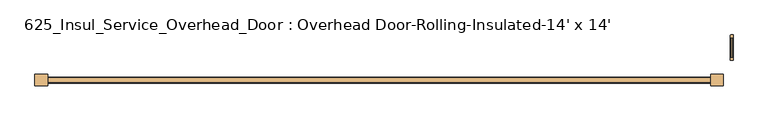
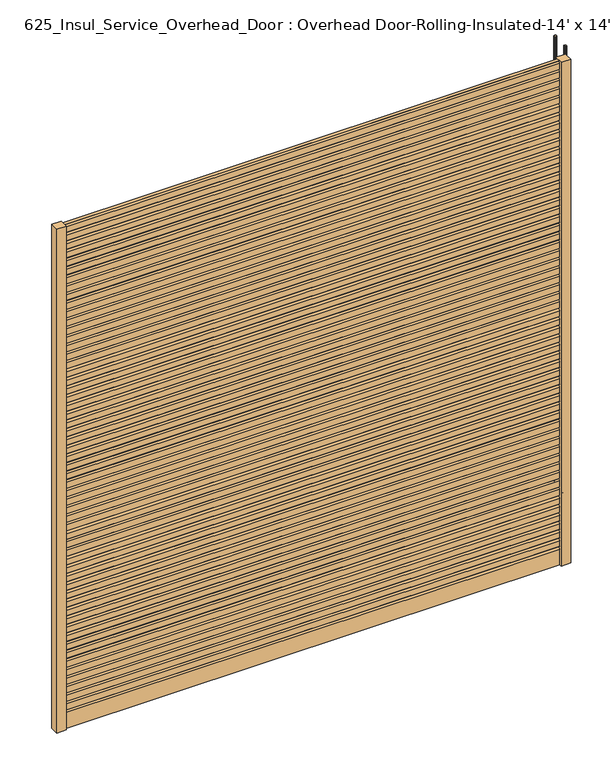
"""IFC4 building model written with IfcOpenShell, lengths in millimetres: door geometry, 625_Insul_Service_Overhead_Door : Overhead Door-Rolling-Insulated-14' x 14'."""

from ifc_helpers import new_model, si_unit, point, frame, origin, origin_with_axes, place, context, project, spatial, polyline, circle_curve, ellipse_curve, trimmed, outline, extrude, source, transform, mapped, element, save
from ifc_brep_helpers import plane_surface, cylinder_surface, revolved_surface, advanced_brep


def door_625_insul_service_overhead_door_overhead_door_rolling_e3f218a3(model_context):
    return source(origin(), model_context, "Body", "SolidModel", [
        advanced_brep(
        [(3792.5375, 1223.6880768, 4267.2), (3792.5375, 1236.3880768, 4267.2), (3790.95, 1237.9755768, 4267.2), (3778.25, 1237.9755768, 4267.2), (3776.6625, 1236.3880768, 4267.2), (3776.6625, 1223.6880768, 4267.2), (3778.25, 1222.1005768, 4267.2), (3790.95, 1222.1005768, 4267.2), (3790.95, 1222.1005768, 508.0), (3792.5375, 1223.6880768, 508.0), (3778.25, 1222.1005768, 508.0), (3776.6625, 1223.6880768, 508.0), (3776.6625, 1236.3880768, 508.0), (3776.6625, 1087.1630768, 508.0), (3776.6625, 1087.1630768, 4267.2), (3776.6625, 1099.8630768, 4267.2), (3776.6625, 1099.8630768, 508.0), (3778.25, 1237.9755768, 508.0), (3790.95, 1237.9755768, 508.0), (3792.5375, 1236.3880768, 508.0), (3792.5375, 1099.8630768, 508.0), (3792.5375, 1099.8630768, 4267.2), (3792.5375, 1087.1630768, 4267.2), (3792.5375, 1087.1630768, 508.0), (3790.95, 1101.4505768, 508.0), (3778.25, 1101.4505768, 508.0), (3778.25, 1085.5755768, 508.0), (3790.95, 1085.5755768, 508.0), (3790.95, 1101.4505768, 4267.2), (3778.25, 1101.4505768, 4267.2), (3778.25, 1085.5755768, 4267.2), (3790.95, 1085.5755768, 4267.2)],
        [
            (0, 1),
            (1, 2, circle_curve(frame((3790.95, 1236.3880768, 4267.2), z_axis=(0.0, 0.0, 1.0), x_axis=(0.0, 1.0, 0.0)), 1.5875)),
            (2, 3),
            (3, 4, circle_curve(frame((3778.25, 1236.3880768, 4267.2), z_axis=(0.0, 0.0, 1.0), x_axis=(0.0, 1.0, 0.0)), 1.5875)),
            (4, 5),
            (5, 6, circle_curve(frame((3778.25, 1223.6880768, 4267.2), z_axis=(0.0, 0.0, 1.0), x_axis=(0.0, 1.0, 0.0)), 1.5875)),
            (6, 7),
            (7, 0, circle_curve(frame((3790.95, 1223.6880768, 4267.2), z_axis=(0.0, 0.0, 1.0), x_axis=(0.0, 1.0, 0.0)), 1.5875)),
            (7, 8),
            (8, 9, circle_curve(frame((3790.95, 1223.6880768, 508.0), z_axis=(0.0, 0.0, 1.0), x_axis=(0.0, 1.0, 0.0)), 1.5875)),
            (9, 0),
            (6, 10),
            (10, 8),
            (5, 11),
            (11, 10, circle_curve(frame((3778.25, 1223.6880768, 508.0), z_axis=(0.0, 0.0, 1.0), x_axis=(0.0, 1.0, 0.0)), 1.5875)),
            (4, 12),
            (12, 13, circle_curve(frame((3776.6625, 1161.7755768, 508.0), z_axis=(-1.0, 0.0, 0.0), x_axis=(0.0, 1.0, 0.0)), 74.6125)),
            (13, 14),
            (14, 15),
            (15, 16),
            (16, 11, circle_curve(frame((3776.6625, 1161.7755768, 508.0), z_axis=(1.0, 0.0, 0.0), x_axis=(0.0, 1.0, 0.0)), 61.9125)),
            (3, 17),
            (17, 12, circle_curve(frame((3778.25, 1236.3880768, 508.0), z_axis=(0.0, 0.0, 1.0), x_axis=(0.0, 1.0, 0.0)), 1.5875)),
            (2, 18),
            (18, 17),
            (1, 19),
            (19, 18, circle_curve(frame((3790.95, 1236.3880768, 508.0), z_axis=(0.0, 0.0, 1.0), x_axis=(0.0, 1.0, 0.0)), 1.5875)),
            (9, 20, circle_curve(frame((3792.5375, 1161.7755768, 508.0), z_axis=(-1.0, 0.0, 0.0), x_axis=(0.0, 1.0, 0.0)), 61.9125)),
            (20, 21),
            (21, 22),
            (22, 23),
            (23, 19, circle_curve(frame((3792.5375, 1161.7755768, 508.0), z_axis=(1.0, 0.0, 0.0), x_axis=(0.0, 1.0, 0.0)), 74.6125)),
            (24, 20, circle_curve(frame((3790.95, 1099.8630768, 508.0), z_axis=(0.0, 0.0, -1.0), x_axis=(0.0, -1.0, 0.0)), 1.5875)),
            (8, 24, circle_curve(frame((3790.95, 1161.7755768, 508.0), z_axis=(-1.0, 0.0, 0.0), x_axis=(0.0, 1.0, 0.0)), 60.325)),
            (25, 24),
            (10, 25, circle_curve(frame((3778.25, 1161.7755768, 508.0), z_axis=(-1.0, 0.0, 0.0), x_axis=(0.0, 1.0, 0.0)), 60.325)),
            (16, 25, circle_curve(frame((3778.25, 1099.8630768, 508.0), z_axis=(0.0, 0.0, -1.0), x_axis=(0.0, -1.0, 0.0)), 1.5875)),
            (26, 13, circle_curve(frame((3778.25, 1087.1630768, 508.0), z_axis=(0.0, 0.0, -1.0), x_axis=(0.0, -1.0, 0.0)), 1.5875)),
            (17, 26, circle_curve(frame((3778.25, 1161.7755768, 508.0), z_axis=(-1.0, 0.0, 0.0), x_axis=(0.0, 1.0, 0.0)), 76.2)),
            (27, 26),
            (18, 27, circle_curve(frame((3790.95, 1161.7755768, 508.0), z_axis=(-1.0, 0.0, 0.0), x_axis=(0.0, 1.0, 0.0)), 76.2)),
            (23, 27, circle_curve(frame((3790.95, 1087.1630768, 508.0), z_axis=(0.0, 0.0, -1.0), x_axis=(0.0, -1.0, 0.0)), 1.5875)),
            (21, 28, circle_curve(frame((3790.95, 1099.8630768, 4267.2), z_axis=(0.0, 0.0, 1.0), x_axis=(0.0, -1.0, 0.0)), 1.5875)),
            (28, 29),
            (29, 15, circle_curve(frame((3778.25, 1099.8630768, 4267.2), z_axis=(0.0, 0.0, 1.0), x_axis=(0.0, -1.0, 0.0)), 1.5875)),
            (14, 30, circle_curve(frame((3778.25, 1087.1630768, 4267.2), z_axis=(0.0, 0.0, 1.0), x_axis=(0.0, -1.0, 0.0)), 1.5875)),
            (30, 31),
            (31, 22, circle_curve(frame((3790.95, 1087.1630768, 4267.2), z_axis=(0.0, 0.0, 1.0), x_axis=(0.0, -1.0, 0.0)), 1.5875)),
            (24, 28),
            (25, 29),
            (26, 30),
            (27, 31),
        ],
        [
            plane_surface(frame((3784.6, 1237.9755768, 4267.2), z_axis=(0.0, 0.0, 1.0), x_axis=(-1.0, 0.0, 0.0))),
            cylinder_surface(frame((3790.95, 1223.6880768, 4267.2), z_axis=(0.0, 0.0, 1.0), x_axis=(0.0, 1.0, 0.0)), 1.5875),
            plane_surface(frame((3790.95, 1222.1005768, 4267.2), z_axis=(0.0, -1.0, 0.0), x_axis=(0.0, 0.0, -1.0))),
            cylinder_surface(frame((3778.25, 1223.6880768, 4267.2), z_axis=(0.0, 0.0, 1.0), x_axis=(0.0, 1.0, 0.0)), 1.5875),
            plane_surface(frame((3776.6625, 1223.6880768, 4267.2), z_axis=(-1.0, 0.0, 0.0), x_axis=(0.0, 0.0, -1.0))),
            cylinder_surface(frame((3778.25, 1236.3880768, 4267.2), z_axis=(0.0, 0.0, 1.0), x_axis=(0.0, 1.0, 0.0)), 1.5875),
            plane_surface(frame((3778.25, 1237.9755768, 4267.2), z_axis=(0.0, 1.0, 0.0), x_axis=(0.0, 0.0, -1.0))),
            cylinder_surface(frame((3790.95, 1236.3880768, 4267.2), z_axis=(0.0, 0.0, 1.0), x_axis=(0.0, 1.0, 0.0)), 1.5875),
            plane_surface(frame((3792.5375, 1236.3880768, 4267.2), z_axis=(1.0, 0.0, 0.0), x_axis=(0.0, 0.0, -1.0))),
            revolved_surface(trimmed(ellipse_curve(frame((3790.95, 1223.6880768, 508.0), z_axis=(0.0, 0.0, -1.0), x_axis=(0.0, 1.0, 0.0)), 1.5875, 1.5875), [point((3792.5375, 1223.6880768, 508.0))], [point((3790.95, 1222.1005768, 508.0))], True, "CARTESIAN"), (3784.6, 1161.7755768, 508.0), (1.0, 0.0, 0.0)),
            revolved_surface(polyline([(3790.95, 1222.1005768, 508.0), (3778.25, 1222.1005768, 508.0)]), (3784.6, 1161.7755768, 508.0), (1.0, 0.0, 0.0)),
            revolved_surface(trimmed(ellipse_curve(frame((3778.25, 1223.6880768, 508.0), z_axis=(0.0, 0.0, -1.0), x_axis=(0.0, 1.0, 0.0)), 1.5875, 1.5875), [point((3778.25, 1222.1005768, 508.0))], [point((3776.6625, 1223.6880768, 508.0))], True, "CARTESIAN"), (3784.6, 1161.7755768, 508.0), (1.0, 0.0, 0.0)),
            revolved_surface(trimmed(ellipse_curve(frame((3778.25, 1236.3880768, 508.0), z_axis=(0.0, 0.0, -1.0), x_axis=(0.0, 1.0, 0.0)), 1.5875, 1.5875), [point((3776.6625, 1236.3880768, 508.0))], [point((3778.25, 1237.9755768, 508.0))], True, "CARTESIAN"), (3784.6, 1161.7755768, 508.0), (1.0, 0.0, 0.0)),
            cylinder_surface(frame((3784.6, 1161.7755768, 508.0), z_axis=(1.0, 0.0, 0.0), x_axis=(0.0, 1.0, 0.0)), 76.2),
            revolved_surface(trimmed(ellipse_curve(frame((3790.95, 1236.3880768, 508.0), z_axis=(0.0, 0.0, -1.0), x_axis=(0.0, 1.0, 0.0)), 1.5875, 1.5875), [point((3790.95, 1237.9755768, 508.0))], [point((3792.5375, 1236.3880768, 508.0))], True, "CARTESIAN"), (3784.6, 1161.7755768, 508.0), (1.0, 0.0, 0.0)),
            plane_surface(frame((3784.6, 1085.5755768, 4267.2), z_axis=(0.0, 0.0, 1.0), x_axis=(-1.0, 0.0, 0.0))),
            cylinder_surface(frame((3790.95, 1099.8630768, 508.0), z_axis=(0.0, 0.0, -1.0), x_axis=(0.0, -1.0, 0.0)), 1.5875),
            plane_surface(frame((3790.95, 1101.4505768, 508.0), z_axis=(0.0, 1.0, 0.0), x_axis=(0.0, 0.0, 1.0))),
            cylinder_surface(frame((3778.25, 1099.8630768, 508.0), z_axis=(0.0, 0.0, -1.0), x_axis=(0.0, -1.0, 0.0)), 1.5875),
            cylinder_surface(frame((3778.25, 1087.1630768, 508.0), z_axis=(0.0, 0.0, -1.0), x_axis=(0.0, -1.0, 0.0)), 1.5875),
            plane_surface(frame((3778.25, 1085.5755768, 508.0), z_axis=(0.0, -1.0, 0.0), x_axis=(0.0, 0.0, 1.0))),
            cylinder_surface(frame((3790.95, 1087.1630768, 508.0), z_axis=(0.0, 0.0, -1.0), x_axis=(0.0, -1.0, 0.0)), 1.5875),
        ],
        [
            (0, [[1, 2, 3, 4, 5, 6, 7, 8]]),
            (1, [[9, 10, 11, -8]]),
            (2, [[12, 13, -9, -7]]),
            (3, [[14, 15, -12, -6]]),
            (4, [[16, 17, 18, 19, 20, 21, -14, -5]]),
            (5, [[22, 23, -16, -4]]),
            (6, [[24, 25, -22, -3]]),
            (7, [[26, 27, -24, -2]]),
            (8, [[-11, 28, 29, 30, 31, 32, -26, -1]]),
            (9, [[33, -28, -10, 34]]),
            (10, [[35, -34, -13, 36]]),
            (11, [[37, -36, -15, -21]]),
            (12, [[38, -17, -23, 39]]),
            (13, [[40, -39, -25, 41]]),
            (14, [[42, -41, -27, -32]]),
            (15, [[43, 44, 45, -19, 46, 47, 48, -30]]),
            (16, [[49, -43, -29, -33]]),
            (17, [[50, -44, -49, -35]]),
            (18, [[-20, -45, -50, -37]]),
            (19, [[51, -46, -18, -38]]),
            (20, [[52, -47, -51, -40]]),
            (21, [[-31, -48, -52, -42]]),
        ],
    ),
        extrude(outline(polyline([(-381.0, 933.2031809), (-381.0, 1003.0531809), (-304.8, 1003.0531809), (-304.8, 933.2031809), (-381.0, 933.2031809)])), origin_with_axes(), (0.0, 0.0, 1.0), 4267.2),
        extrude(outline(polyline([(3733.8, 933.2031809), (3657.6, 933.2031809), (3657.6, 1003.0531809), (3733.8, 1003.0531809), (3733.8, 933.2031809)])), origin_with_axes(), (0.0, 0.0, 1.0), 4267.2),
        extrude(outline(polyline([(962.3771667, 145.6494217), (950.5940662, 157.5370054), (950.5940662, 205.6925895), (962.3771667, 217.5801731), (950.5940662, 229.4677568), (950.5940662, 277.6233409), (962.3771667, 289.5109246), (950.5940662, 301.3985082), (950.5940662, 349.5540924), (962.6329622, 361.6997397), (950.5940662, 373.8453871), (950.5940662, 422.0009712), (962.6329622, 434.1466186), (950.5940662, 446.2922659), (950.5940662, 494.44785), (962.3771667, 506.3354337), (950.5940662, 518.2230174), (950.5940662, 566.3786015), (962.6329622, 578.5242489), (950.5940662, 590.6698962), (950.5940662, 638.8254803), (962.3771667, 650.713064), (950.5940662, 662.6006477), (950.5940662, 710.7562318), (962.3771667, 722.6438154), (950.5940662, 734.5313991), (950.5940662, 782.6869832), (962.6329622, 794.8326306), (950.5940662, 806.978278), (950.5940662, 855.1338621), (962.6329622, 867.2795094), (950.5940662, 879.4251568), (950.5940662, 927.5807409), (962.3771667, 939.4683246), (950.5940662, 951.3559082), (950.5940662, 999.5114924), (962.6329622, 1011.6571397), (950.5940662, 1023.8027871), (950.5940662, 1071.9583712), (962.3771667, 1083.8459549), (950.5940662, 1095.7335385), (950.5940662, 1143.8891227), (962.3771667, 1155.7767063), (950.5940662, 1167.66429), (950.5940662, 1215.8198741), (962.6329622, 1227.9655215), (950.5940662, 1240.1111688), (950.5940662, 1288.2667529), (962.6329622, 1300.4124003), (950.5940662, 1312.5580477), (950.5940662, 1360.7136318), (962.3771667, 1372.6012154), (950.5940662, 1384.4887991), (950.5940662, 1432.6443832), (962.6329622, 1444.7900306), (950.5940662, 1456.935678), (950.5940662, 1505.0912621), (962.3771667, 1516.9788457), (950.5940662, 1528.8664294), (950.5940662, 1577.0220135), (962.3771667, 1588.9095972), (950.5940662, 1600.7971808), (950.5940662, 1648.952765), (962.6329622, 1661.0984123), (950.5940662, 1673.2440597), (950.5940662, 1721.3996438), (962.6329622, 1733.5452912), (950.5940662, 1745.6909385), (950.5940662, 1793.8465227), (962.3771667, 1805.7341063), (950.5940662, 1817.62169), (950.5940662, 1865.7772741), (962.6329622, 1877.9229215), (950.5940662, 1890.0685688), (950.5940662, 1938.2241529), (962.3771667, 1950.1117366), (950.5940662, 1961.9993203), (950.5940662, 2010.1549044), (962.3771667, 2022.0424881), (950.5940662, 2033.9300717), (950.5940662, 2082.0856558), (962.6329622, 2094.2313032), (950.5940662, 2106.3769506), (950.5940662, 2154.5325347), (962.6329622, 2166.678182), (950.5940662, 2178.8238294), (950.5940662, 2226.9794135), (962.3771667, 2238.8669972), (950.5940662, 2250.7545808), (950.5940662, 2298.910165), (962.6329622, 2311.0558123), (950.5940662, 2323.2014597), (950.5940662, 2371.3570438), (962.3771667, 2383.2446275), (950.5940662, 2395.1322111), (950.5940662, 2443.2877953), (962.3771667, 2455.1753789), (950.5940662, 2467.0629626), (950.5940662, 2515.2185467), (962.6329622, 2527.3641941), (950.5940662, 2539.5098414), (950.5940662, 2587.6654255), (962.6329622, 2599.8110729), (950.5940662, 2611.9567203), (950.5940662, 2660.1123044), (962.3771667, 2671.9998881), (950.5940662, 2683.8874717), (950.5940662, 2732.0430558), (962.6329622, 2744.1887032), (950.5940662, 2756.3343506), (950.5940662, 2804.4899347), (962.3771667, 2816.3775183), (950.5940662, 2828.265102), (950.5940662, 2876.4206861), (962.3771667, 2888.3082698), (950.5940662, 2900.1958535), (950.5940662, 2948.3514376), (962.6329622, 2960.4970849), (950.5940662, 2972.6427323), (950.5940662, 3020.7983164), (962.6329622, 3032.9439638), (950.5940662, 3045.0896111), (950.5940662, 3093.2451953), (962.3771667, 3105.1327789), (950.5940662, 3117.0203626), (950.5940662, 3165.1759467), (962.6329622, 3177.3215941), (950.5940662, 3189.4672414), (950.5940662, 3237.6228255), (962.3771667, 3249.5104092), (950.5940662, 3261.3979929), (950.5940662, 3309.553577), (962.3771667, 3321.4411607), (950.5940662, 3333.3287443), (950.5940662, 3381.4843284), (962.6329622, 3393.6299758), (950.5940662, 3405.7756232), (950.5940662, 3453.9312073), (962.6329622, 3466.0768546), (950.5940662, 3478.222502), (950.5940662, 3526.3780861), (962.3771667, 3538.2656698), (950.5940662, 3550.1532535), (950.5940662, 3598.3088376), (962.6329622, 3610.4544849), (950.5940662, 3622.6001323), (950.5940662, 3670.239589), (962.3771667, 3682.1271727), (950.5940662, 3694.0147563), (950.5940662, 3742.1703405), (962.3771667, 3754.0579241), (950.5940662, 3765.9455078), (950.5940662, 3814.1010919), (962.6329622, 3826.2467393), (950.5940662, 3838.3923866), (950.5940662, 3886.5479708), (962.6329622, 3898.6936181), (950.5940662, 3910.8392655), (950.5940662, 3958.9948496), (962.3771667, 3970.8824333), (950.5940662, 3982.7700169), (950.5940662, 4030.925601), (962.6329622, 4043.0712484), (950.5940662, 4055.2168958), (950.5940662, 4103.3724799), (962.3771667, 4115.2600635), (950.5940662, 4127.1476472), (950.5940662, 4175.3032313), (962.3771667, 4187.190815), (950.5940662, 4199.0783987), (950.5940662, 4247.2339828), (962.6329622, 4259.3796301), (954.8813277, 4267.2), (981.3750341, 4267.2), (973.6233995, 4259.3796301), (985.6622955, 4247.2339828), (985.6622955, 4199.0783987), (973.879195, 4187.190815), (985.6622955, 4175.3032313), (985.6622955, 4127.1476472), (973.879195, 4115.2600635), (985.6622955, 4103.3724799), (985.6622955, 4055.2168958), (973.6233995, 4043.0712484), (985.6622955, 4030.925601), (985.6622955, 3982.7700169), (973.879195, 3970.8824333), (985.6622955, 3958.9948496), (985.6622955, 3910.8392655), (973.6233995, 3898.6936181), (985.6622955, 3886.5479708), (985.6622955, 3838.3923866), (973.6233995, 3826.2467393), (985.6622955, 3814.1010919), (985.6622955, 3765.9455078), (973.879195, 3754.0579241), (985.6622955, 3742.1703405), (985.6622955, 3694.0147563), (973.879195, 3682.1271727), (985.6622955, 3670.239589), (985.6622955, 3622.6001323), (973.6233995, 3610.4544849), (985.6622955, 3598.3088376), (985.6622955, 3550.1532535), (973.879195, 3538.2656698), (985.6622955, 3526.3780861), (985.6622955, 3478.222502), (973.6233995, 3466.0768546), (985.6622955, 3453.9312073), (985.6622955, 3405.7756232), (973.6233995, 3393.6299758), (985.6622955, 3381.4843284), (985.6622955, 3333.3287443), (973.879195, 3321.4411607), (985.6622955, 3309.553577), (985.6622955, 3261.3979929), (973.879195, 3249.5104092), (985.6622955, 3237.6228255), (985.6622955, 3189.4672414), (973.6233995, 3177.3215941), (985.6622955, 3165.1759467), (985.6622955, 3117.0203626), (973.879195, 3105.1327789), (985.6622955, 3093.2451953), (985.6622955, 3045.0896111), (973.6233995, 3032.9439638), (985.6622955, 3020.7983164), (985.6622955, 2972.6427323), (973.6233995, 2960.4970849), (985.6622955, 2948.3514376), (985.6622955, 2900.1958535), (973.879195, 2888.3082698), (985.6622955, 2876.4206861), (985.6622955, 2828.265102), (973.879195, 2816.3775183), (985.6622955, 2804.4899347), (985.6622955, 2756.3343506), (973.6233995, 2744.1887032), (985.6622955, 2732.0430558), (985.6622955, 2683.8874717), (973.879195, 2671.9998881), (985.6622955, 2660.1123044), (985.6622955, 2611.9567203), (973.6233995, 2599.8110729), (985.6622955, 2587.6654255), (985.6622955, 2539.5098414), (973.6233995, 2527.3641941), (985.6622955, 2515.2185467), (985.6622955, 2467.0629626), (973.879195, 2455.1753789), (985.6622955, 2443.2877953), (985.6622955, 2395.1322111), (973.879195, 2383.2446275), (985.6622955, 2371.3570438), (985.6622955, 2323.2014597), (973.6233995, 2311.0558123), (985.6622955, 2298.910165), (985.6622955, 2250.7545808), (973.879195, 2238.8669972), (985.6622955, 2226.9794135), (985.6622955, 2178.8238294), (973.6233995, 2166.678182), (985.6622955, 2154.5325347), (985.6622955, 2106.3769506), (973.6233995, 2094.2313032), (985.6622955, 2082.0856558), (985.6622955, 2033.9300717), (973.879195, 2022.0424881), (985.6622955, 2010.1549044), (985.6622955, 1961.9993203), (973.879195, 1950.1117366), (985.6622955, 1938.2241529), (985.6622955, 1890.0685688), (973.6233995, 1877.9229215), (985.6622955, 1865.7772741), (985.6622955, 1817.62169), (973.879195, 1805.7341063), (985.6622955, 1793.8465227), (985.6622955, 1745.6909385), (973.6233995, 1733.5452912), (985.6622955, 1721.3996438), (985.6622955, 1673.2440597), (973.6233995, 1661.0984123), (985.6622955, 1648.952765), (985.6622955, 1600.7971808), (973.879195, 1588.9095972), (985.6622955, 1577.0220135), (985.6622955, 1528.8664294), (973.879195, 1516.9788457), (985.6622955, 1505.0912621), (985.6622955, 1456.935678), (973.6233995, 1444.7900306), (985.6622955, 1432.6443832), (985.6622955, 1384.4887991), (973.879195, 1372.6012154), (985.6622955, 1360.7136318), (985.6622955, 1312.5580477), (973.6233995, 1300.4124003), (985.6622955, 1288.2667529), (985.6622955, 1240.1111688), (973.6233995, 1227.9655215), (985.6622955, 1215.8198741), (985.6622955, 1167.66429), (973.879195, 1155.7767063), (985.6622955, 1143.8891227), (985.6622955, 1095.7335385), (973.879195, 1083.8459549), (985.6622955, 1071.9583712), (985.6622955, 1023.8027871), (973.6233995, 1011.6571397), (985.6622955, 999.5114924), (985.6622955, 951.3559082), (973.879195, 939.4683246), (985.6622955, 927.5807409), (985.6622955, 879.4251568), (973.6233995, 867.2795094), (985.6622955, 855.1338621), (985.6622955, 806.978278), (973.6233995, 794.8326306), (985.6622955, 782.6869832), (985.6622955, 734.5313991), (973.879195, 722.6438154), (985.6622955, 710.7562318), (985.6622955, 662.6006477), (973.879195, 650.713064), (985.6622955, 638.8254803), (985.6622955, 590.6698962), (973.6233995, 578.5242489), (985.6622955, 566.3786015), (985.6622955, 518.2230174), (973.879195, 506.3354337), (985.6622955, 494.44785), (985.6622955, 446.2922659), (973.6233995, 434.1466186), (985.6622955, 422.0009712), (985.6622955, 373.8453871), (973.6233995, 361.6997397), (985.6622955, 349.5540924), (985.6622955, 301.3985082), (973.879195, 289.5109246), (985.6622955, 277.6233409), (985.6622955, 229.4677568), (973.879195, 217.5801731), (985.6622955, 205.6925895), (985.6622955, 157.5370054), (973.879195, 145.6494217), (985.6622955, 133.761838), (985.6622955, 0.0), (950.5940662, 0.0), (950.5940662, 133.761838), (962.3771667, 145.6494217)])), frame((-304.8, 0.0, 0.0), z_axis=(1.0, 0.0, 0.0), x_axis=(0.0, 1.0, 0.0)), (0.0, 0.0, 1.0), 3962.4),
    ])


if __name__ == "__main__":
    model = new_model("IFC4")
    model_context = context("Model", 3, world=origin())
    ifc_project = project(units=[si_unit("LENGTHUNIT", "METRE", prefix="MILLI")], contexts=[model_context])
    site = spatial("IfcSite", under=ifc_project)
    building = spatial("IfcBuilding", under=site)
    placement = place(None, origin())
    door_625_insul_service_overhead_door_overhead_door_rolling_shape = door_625_insul_service_overhead_door_overhead_door_rolling_e3f218a3(model_context)
    element("IfcDoor", 1, ObjectType="625_Insul_Service_Overhead_Door : Overhead Door-Rolling-Insulated-14' x 14'", at=placement, inside=building, context=model_context, shape_type="MappedRepresentation", body=[
        mapped(door_625_insul_service_overhead_door_overhead_door_rolling_shape, transform((0.0, 0.0, 0.0), x_axis=(1.0, 0.0, 0.0), y_axis=(0.0, 1.0, 0.0), z_axis=(0.0, 0.0, 1.0))),
    ])
    save(model, "model.ifc")
